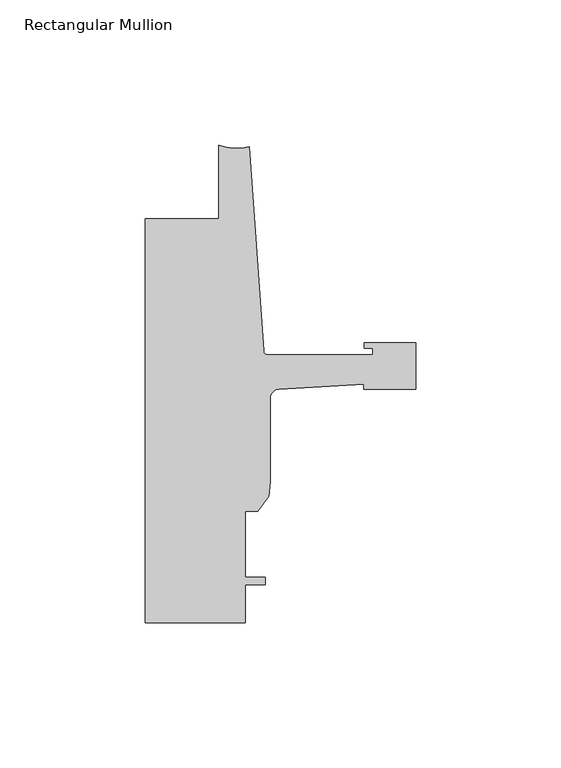
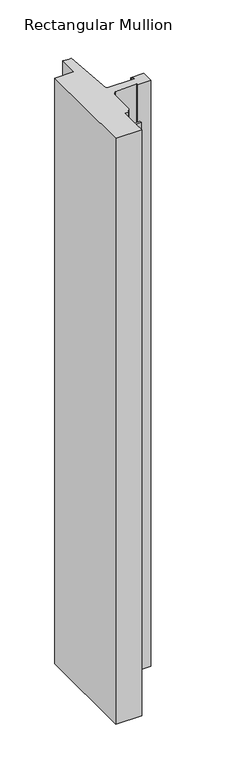
"""IFC4 building model written with IfcOpenShell, lengths in millimetres: member geometry, Rectangular Mullion."""

from ifc_helpers import new_model, si_unit, point, frame, frame_2d, origin, place, context, project, spatial, polyline, circle_curve, trimmed, segment, composite_curve, outline, extrude, source, transform, mapped, element, save


def rectangular_mullion_21fdafb6(model_context):
    return source(origin(), model_context, "Body", "SweptSolid", [
        extrude(outline(composite_curve([segment(polyline([(-17.9118541, -101.4547729), (-47.0897067, -103.1938232)]), True, "CONTINUOUS"), segment(trimmed(circle_curve(frame_2d((-46.9265, -106.3646257)), 3.175), [point((-47.0897067, -103.1938232))], [point((-50.1015, -106.3646257))], True, "CARTESIAN"), True, "CONTINUOUS"), segment(polyline([(-50.1015, -106.3646257), (-50.1015, -135.076113), (-50.5979748, -140.1268653), (-54.4195002, -145.1982008), (-58.7375, -145.1982008), (-58.7375, -168.0582008), (-51.8795003, -168.0582008), (-51.8795003, -170.5982008), (-58.7375, -170.5982008), (-58.7375, -183.642), (-93.2286109, -183.642), (-93.2286109, -44.4504525), (-67.8287241, -44.4504525), (-67.8287241, -19.05)]), True, "CONTINUOUS"), segment(trimmed(circle_curve(frame_2d((-61.5737839, -3.5169201)), 16.7451739), [point((-67.8287241, -19.05))], [point((-57.2987656, -19.707197))], True, "CARTESIAN"), True, "CONTINUOUS"), segment(polyline([(-57.2987656, -19.707197), (-52.3871825, -89.9461089)]), True, "CONTINUOUS"), segment(trimmed(circle_curve(frame_2d((-50.8668948, -89.8398)), 1.524), [point((-52.3871825, -89.9461089))], [point((-50.8668948, -91.3638))], True, "CARTESIAN"), True, "CONTINUOUS"), segment(polyline([(-50.8668948, -91.3638), (-14.783487, -91.3638), (-14.783487, -89.0269999), (-17.6377748, -89.0269999), (-17.6377748, -87.2489999), (0.0, -87.2489999), (0.0, -103.2509998), (-17.9118541, -103.2509998), (-17.9118541, -101.4547729)]), True, "CONTINUOUS")], self_intersect=False)), frame((0.0, 0.0, -819.1499939), z_axis=(0.0, 0.0, 1.0), x_axis=(1.0, 0.0, 0.0)), (0.0, 0.0, 1.0), 819.1499939),
    ])


if __name__ == "__main__":
    model = new_model("IFC4")
    model_context = context("Model", 3, world=origin())
    ifc_project = project(units=[si_unit("LENGTHUNIT", "METRE", prefix="MILLI")], contexts=[model_context])
    site = spatial("IfcSite", under=ifc_project)
    building = spatial("IfcBuilding", under=site)
    placement = place(None, origin())
    rectangular_mullion_shape = rectangular_mullion_21fdafb6(model_context)
    element("IfcMember", 1, ObjectType="Rectangular Mullion", at=placement, inside=building, context=model_context, shape_type="MappedRepresentation", body=[
        mapped(rectangular_mullion_shape, transform((0.0, 0.0, 0.0), x_axis=(1.0, 0.0, 0.0), y_axis=(0.0, 1.0, 0.0), z_axis=(0.0, 0.0, 1.0))),
    ])
    save(model, "model.ifc")
